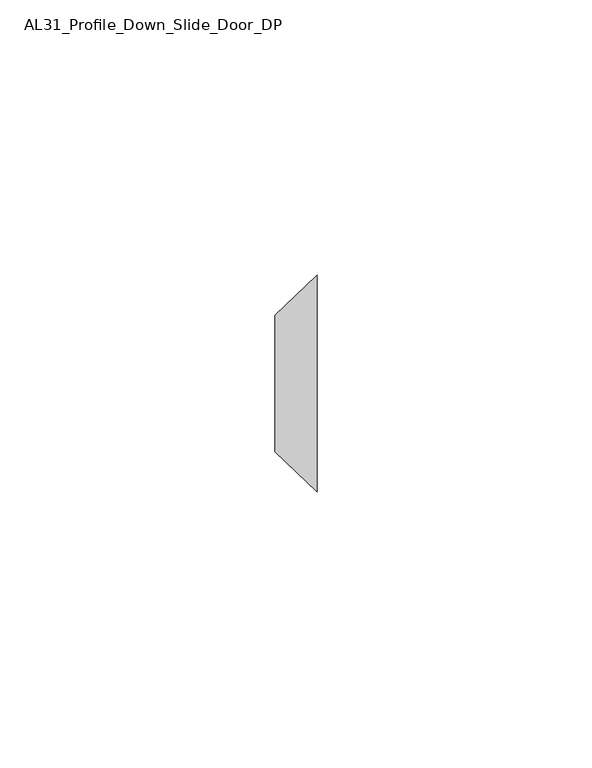
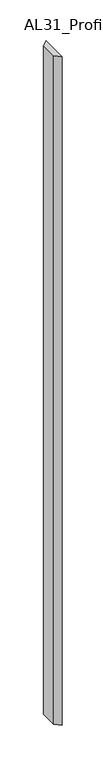
"""IFC4 building model written with IfcOpenShell, lengths in millimetres: member geometry, AL31_Profile_Down_Slide_Door_DP."""

from ifc_helpers import new_model, si_unit, frame, origin, place, context, project, spatial, polyline, outline, extrude, source, transform, mapped, element, save


def al31_profile_down_slide_door_dp_4bec5aed(model_context):
    return source(origin(), model_context, "Body", "SweptSolid", [
        extrude(outline(polyline([(-7.6107048, 13.0548232), (-7.6107048, 37.8271768), (0.0, 45.1097059), (0.0, 5.7722941), (-7.6107048, 13.0548232)])), frame((0.0, 0.0, -1000.0), z_axis=(0.0, 0.0, 1.0), x_axis=(1.0, 0.0, 0.0)), (0.0, 0.0, 1.0), 1000.0),
    ])


if __name__ == "__main__":
    model = new_model("IFC4")
    model_context = context("Model", 3, world=origin())
    ifc_project = project(units=[si_unit("LENGTHUNIT", "METRE", prefix="MILLI")], contexts=[model_context])
    site = spatial("IfcSite", under=ifc_project)
    building = spatial("IfcBuilding", under=site)
    placement = place(None, origin())
    al31_profile_down_slide_door_dp_shape = al31_profile_down_slide_door_dp_4bec5aed(model_context)
    element("IfcMember", 1, ObjectType="AL31_Profile_Down_Slide_Door_DP", at=placement, inside=building, context=model_context, shape_type="MappedRepresentation", body=[
        mapped(al31_profile_down_slide_door_dp_shape, transform((0.0, 0.0, 0.0), x_axis=(1.0, 0.0, 0.0), y_axis=(0.0, 1.0, 0.0), z_axis=(0.0, 0.0, 1.0))),
    ])
    save(model, "model.ifc")
